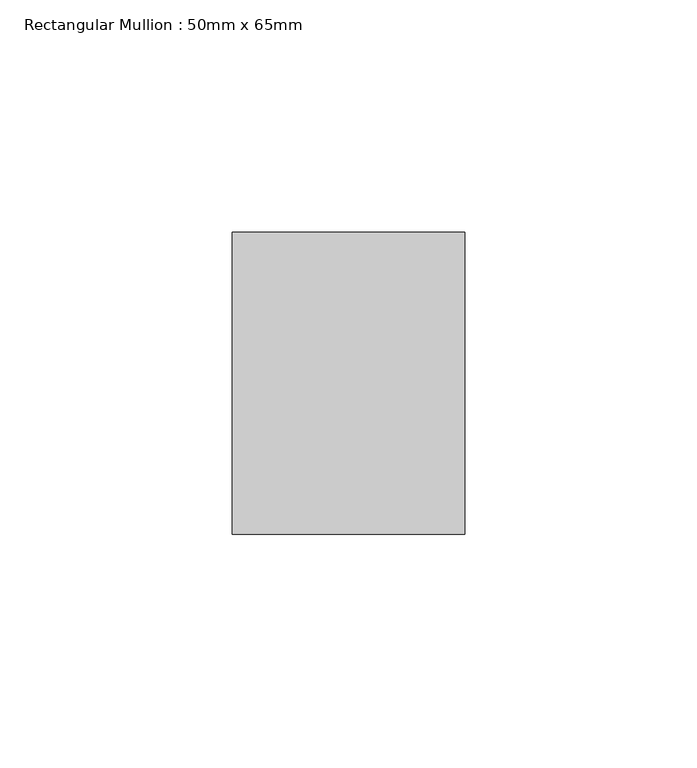
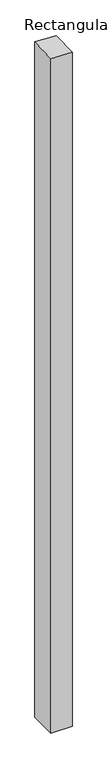
"""IFC4 building model written with IfcOpenShell, lengths in millimetres: member geometry, Rectangular Mullion : 50mm x 65mm."""

from ifc_helpers import new_model, si_unit, origin, place, context, project, spatial, faceted_brep, source, transform, mapped, element, save


def rectangular_mullion_50mm_x_65mm_fd9964f4(model_context):
    return source(origin(), model_context, "Body", "Brep", [
        faceted_brep([(25.0, 32.5, -1679.9001714), (25.0, -32.5, -1679.9001714), (-25.0, -32.5, -1679.9001714), (-25.0, 32.5, -1679.9001714), (-25.0, 32.5, 2.1435194), (25.0, 32.5, -0.109086), (-25.0, -32.5, 0.109086), (25.0, -32.5, -2.1435194)], [[[0, 1, 2, 3]], [[4, 5, 0, 3]], [[6, 4, 3, 2]], [[7, 6, 2, 1]], [[5, 7, 1, 0]], [[5, 4, 6, 7]]]),
    ])


if __name__ == "__main__":
    model = new_model("IFC4")
    model_context = context("Model", 3, world=origin())
    ifc_project = project(units=[si_unit("LENGTHUNIT", "METRE", prefix="MILLI")], contexts=[model_context])
    site = spatial("IfcSite", under=ifc_project)
    building = spatial("IfcBuilding", under=site)
    placement = place(None, origin())
    rectangular_mullion_50mm_x_65mm_shape = rectangular_mullion_50mm_x_65mm_fd9964f4(model_context)
    element("IfcMember", 1, ObjectType="Rectangular Mullion : 50mm x 65mm", at=placement, inside=building, context=model_context, shape_type="MappedRepresentation", body=[
        mapped(rectangular_mullion_50mm_x_65mm_shape, transform((0.0, 0.0, 0.0), x_axis=(1.0, 0.0, 0.0), y_axis=(0.0, 1.0, 0.0), z_axis=(0.0, 0.0, 1.0))),
    ])
    save(model, "model.ifc")
